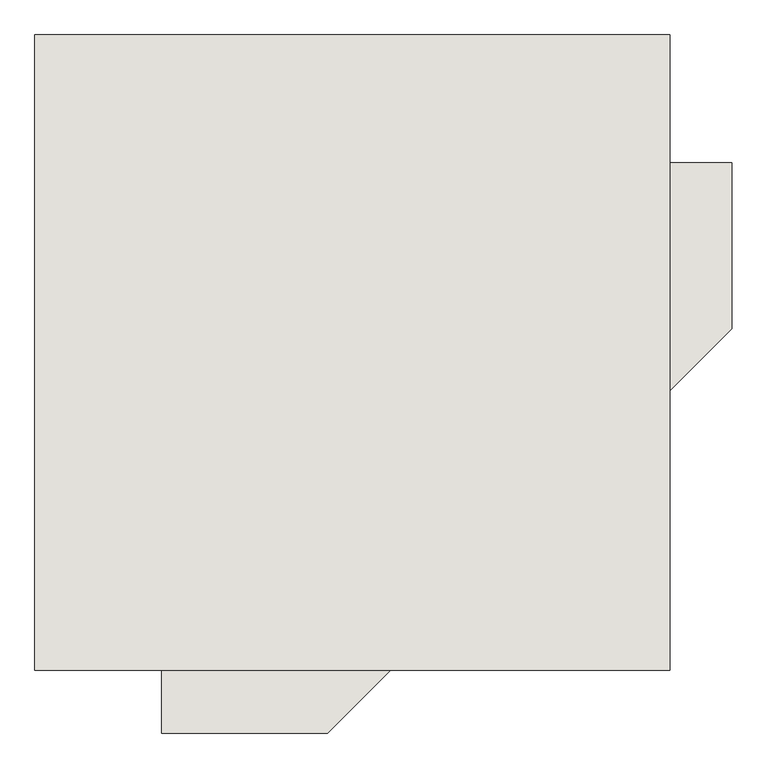
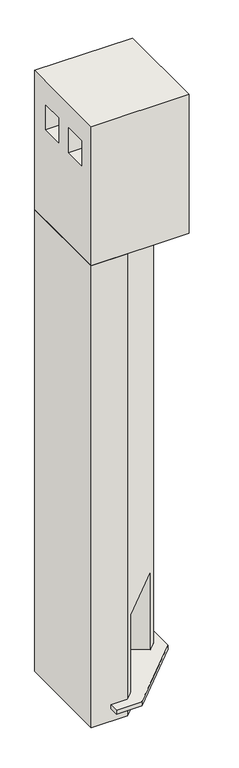
"""IFC4 building model written with IfcOpenShell, lengths in millimetres: wall geometry."""

from ifc_helpers import new_model, si_unit, frame, origin, origin_with_axes, place, context, project, spatial, polyline, outline, extrude, faceted_brep, source, transform, mapped, element, save


def wall_9fa52a1f(model_context):
    return source(origin(), model_context, "Body", "SolidModel", [
        faceted_brep([(-10943.2630349, 5906.6435974, -150.0), (-9818.2630349, 5906.6435974, -150.0), (-9818.2630349, 5490.1508144, -150.0), (-9895.7196303, 5412.694219, -150.0), (-10344.0073664, 5671.5132641, -150.0), (-10708.1327016, 5307.3879289, -150.0), (-10449.3136565, 4859.1001928, -150.0), (-10526.7702519, 4781.6435974, -150.0), (-10943.2630349, 4781.6435974, -150.0), (-10943.2630349, 5906.6435974, 5462.296213), (-10943.2630349, 4781.6435974, 5462.296213), (-10526.7702519, 4781.6435974, 5462.296213), (-9818.2630349, 5490.1508144, 5462.296213), (-9818.2630349, 5906.6435974, 5462.296213), (-9895.7196303, 5412.694219, 1000.0), (-10449.3136565, 4859.1001928, 1000.0), (-10708.1327016, 5307.3879289, 1000.0), (-10344.0073664, 5671.5132641, 1000.0)], [[[0, 1, 2, 3, 4, 5, 6, 7, 8]], [[9, 10, 11, 12, 13]], [[14, 15, 16, 17]], [[10, 9, 0, 8]], [[11, 10, 8, 7]], [[13, 12, 2, 1]], [[0, 9, 13, 1]], [[6, 5, 16, 15]], [[5, 4, 17, 16]], [[4, 3, 14, 17]], [[2, 12, 11, 7, 6, 15, 14, 3]]]),
        extrude(outline(polyline([(4781.6435974, 7151.1931688), (5906.6435974, 7151.1931688), (5906.6435974, 5462.296213), (4781.6435974, 5462.296213), (4781.6435974, 7151.1931688)]), holes=[polyline([(5231.6435974, 6562.296213), (5231.6435974, 6862.296213), (4971.6435974, 6862.296213), (4971.6435974, 6562.296213), (5231.6435974, 6562.296213)]), polyline([(5431.6435974, 6862.296213), (5431.6435974, 6562.296213), (5691.6435974, 6562.296213), (5691.6435974, 6862.296213), (5431.6435974, 6862.296213)])]), frame((-10943.2630349, 0.0, 0.0), z_axis=(1.0, 0.0, 0.0), x_axis=(0.0, 1.0, 0.0)), (0.0, 0.0, 1.0), 1125.0),
        extrude(outline(polyline([(-10344.0073664, 5671.5132641), (-9895.7196303, 5412.694219), (-9818.2630349, 5490.1508144), (-9818.2630349, 5681.6435974), (-9708.2630349, 5681.6435974), (-9708.2630349, 5388.0187801), (-10424.6382176, 4671.6435974), (-10718.2630349, 4671.6435974), (-10718.2630349, 4781.6435974), (-10526.7702519, 4781.6435974), (-10449.3136565, 4859.1001928), (-10708.1327016, 5307.3879289), (-10344.0073664, 5671.5132641)])), origin_with_axes(), (0.0, 0.0, 1.0), 50.0),
    ])


if __name__ == "__main__":
    model = new_model("IFC4")
    model_context = context("Model", 3, world=origin())
    ifc_project = project(units=[si_unit("LENGTHUNIT", "METRE", prefix="MILLI")], contexts=[model_context])
    site = spatial("IfcSite", under=ifc_project)
    building = spatial("IfcBuilding", under=site)
    placement = place(None, origin())
    wall_shape = wall_9fa52a1f(model_context)
    element("IfcWall", 1, at=placement, inside=building, context=model_context, shape_type="MappedRepresentation", body=[
        mapped(wall_shape, transform((0.0, 0.0, 0.0), x_axis=(1.0, 0.0, 0.0), y_axis=(0.0, 1.0, 0.0), z_axis=(0.0, 0.0, 1.0))),
    ])
    save(model, "model.ifc")
